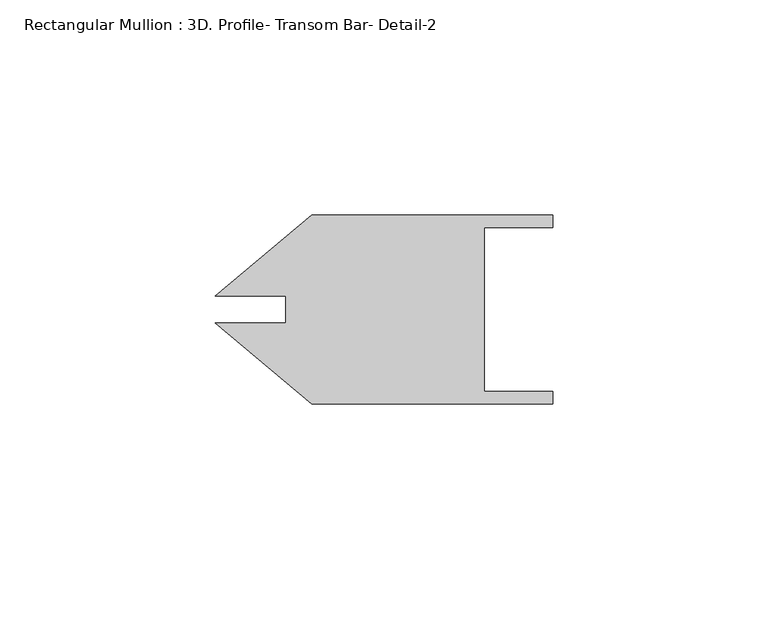
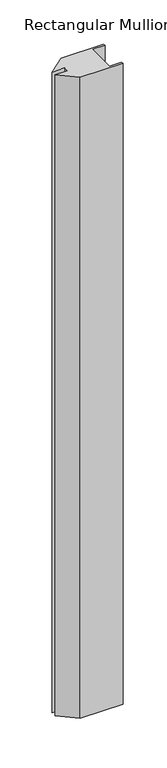
"""IFC4 building model written with IfcOpenShell, lengths in millimetres: member geometry, Rectangular Mullion : 3D. Profile- Transom Bar- Detail-2."""

from ifc_helpers import new_model, si_unit, frame, origin, place, context, project, spatial, polyline, outline, extrude, source, transform, mapped, element, save


def rectangular_mullion_3d_profile_transom_bar_detail_2_cd145329(model_context):
    return source(origin(), model_context, "Body", "SweptSolid", [
        extrude(outline(polyline([(-55.8785989, -4.3330813), (-78.2034144, 14.3996633), (-61.9248121, 14.3996633), (-61.9248121, 20.7237742), (-78.2034144, 20.7237742), (-55.8785989, 39.4565187), (0.0, 39.4565187), (0.0, 36.6117188), (-15.875, 36.6117188), (-15.875, -1.4882812), (0.0, -1.4882812), (0.0, -4.3330813), (-55.8785989, -4.3330813)])), frame((0.0, 0.0, -886.717578), z_axis=(0.0, 0.0, 1.0), x_axis=(1.0, 0.0, 0.0)), (0.0, 0.0, 1.0), 886.717578),
    ])


if __name__ == "__main__":
    model = new_model("IFC4")
    model_context = context("Model", 3, world=origin())
    ifc_project = project(units=[si_unit("LENGTHUNIT", "METRE", prefix="MILLI")], contexts=[model_context])
    site = spatial("IfcSite", under=ifc_project)
    building = spatial("IfcBuilding", under=site)
    placement = place(None, origin())
    rectangular_mullion_3d_profile_transom_bar_detail_2_shape = rectangular_mullion_3d_profile_transom_bar_detail_2_cd145329(model_context)
    element("IfcMember", 1, ObjectType="Rectangular Mullion : 3D. Profile- Transom Bar- Detail-2", at=placement, inside=building, context=model_context, shape_type="MappedRepresentation", body=[
        mapped(rectangular_mullion_3d_profile_transom_bar_detail_2_shape, transform((0.0, 0.0, 0.0), x_axis=(1.0, 0.0, 0.0), y_axis=(0.0, 1.0, 0.0), z_axis=(0.0, 0.0, 1.0))),
    ])
    save(model, "model.ifc")
